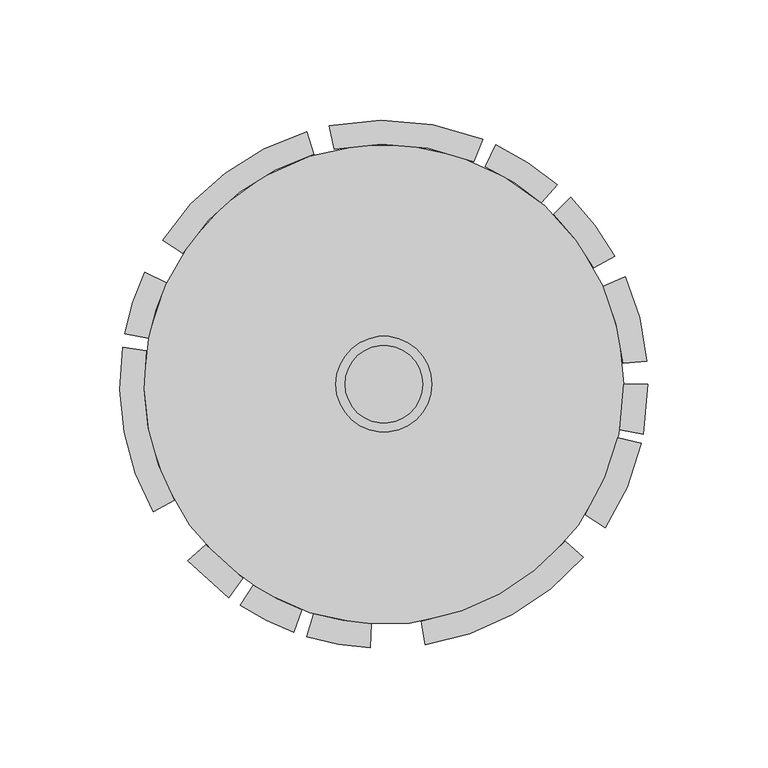
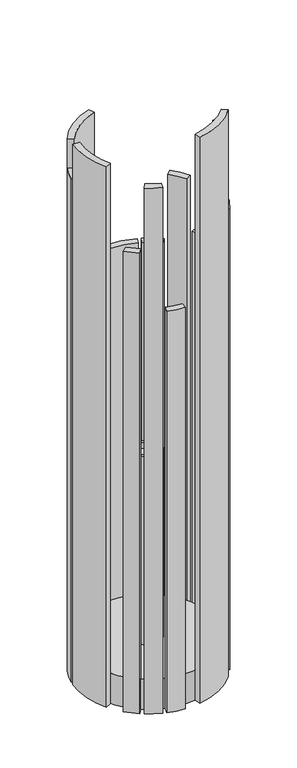
"""IFC4 building model written with IfcOpenShell, lengths in millimetres: proxy geometry."""

from ifc_helpers import new_model, si_unit, point, frame, origin, origin_with_axes, origin_2d, place, context, project, spatial, polyline, circle_curve, trimmed, segment, composite_curve, outline, extrude, source, transform, mapped, element, save
from ifc_brep_helpers import plane_surface, cylinder_surface, revolved_surface, advanced_brep


def generic_models_8748ec68(model_context):
    return source(origin(), model_context, "Body", "SolidModel", [
        advanced_brep(
        [(-20.0, 0.0, 359.9627135), (20.0, 0.0, 359.9627135), (16.1585377, 0.0, 359.9627135), (-16.1585377, 0.0, 359.9627135), (-20.0, 0.0, 50.0), (20.0, 0.0, 50.0), (-16.1585377, 0.0, 350.0), (16.1585377, 0.0, 350.0)],
        [
            (0, 1, circle_curve(frame((0.0, 0.0, 359.9627135), z_axis=(0.0, 0.0, 1.0), x_axis=(1.0, 0.0, 0.0)), 20.0)),
            (1, 0, circle_curve(frame((0.0, 0.0, 359.9627135), z_axis=(0.0, 0.0, 1.0), x_axis=(1.0, 0.0, 0.0)), 20.0)),
            (2, 3, circle_curve(frame((0.0, 0.0, 359.9627135), z_axis=(0.0, 0.0, -1.0), x_axis=(1.0, 0.0, 0.0)), 16.1585377)),
            (3, 2, circle_curve(frame((0.0, 0.0, 359.9627135), z_axis=(0.0, 0.0, -1.0), x_axis=(1.0, 0.0, 0.0)), 16.1585377)),
            (4, 5, circle_curve(frame((0.0, 0.0, 50.0), z_axis=(0.0, 0.0, -1.0), x_axis=(1.0, 0.0, 0.0)), 20.0)),
            (5, 4, circle_curve(frame((0.0, 0.0, 50.0), z_axis=(0.0, 0.0, -1.0), x_axis=(1.0, 0.0, 0.0)), 20.0)),
            (0, 4),
            (5, 1),
            (6, 7, circle_curve(frame((0.0, 0.0, 350.0), z_axis=(0.0, 0.0, 1.0), x_axis=(1.0, 0.0, 0.0)), 16.1585377)),
            (7, 6, circle_curve(frame((0.0, 0.0, 350.0), z_axis=(0.0, 0.0, 1.0), x_axis=(1.0, 0.0, 0.0)), 16.1585377)),
            (6, 3),
            (2, 7),
        ],
        [
            plane_surface(frame((20.0, 0.0, 359.9627135), z_axis=(0.0, 0.0, 1.0), x_axis=(0.0, 1.0, 0.0))),
            plane_surface(frame((20.0, 0.0, 50.0), z_axis=(0.0, 0.0, -1.0), x_axis=(0.0, -1.0, 0.0))),
            cylinder_surface(frame((0.0, 0.0, 50.0), z_axis=(0.0, 0.0, 1.0), x_axis=(1.0, 0.0, 0.0)), 20.0),
            plane_surface(frame((16.1585377, 0.0, 350.0), z_axis=(0.0, 0.0, 1.0), x_axis=(0.0, -1.0, 0.0))),
            revolved_surface(polyline([(16.1585377, 0.0, 359.9627135), (16.1585377, 0.0, 350.0)]), (0.0, 0.0, 350.0), (0.0, 0.0, 1.0)),
        ],
        [
            (0, [[1, 2], [3, 4]]),
            (1, [[5, 6]]),
            (2, [[-1, 7, -6, 8]]),
            (2, [[-2, -8, -5, -7]]),
            (3, [[9, 10]]),
            (4, [[-9, 11, -3, 12]]),
            (4, [[-10, -12, -4, -11]]),
        ],
    ),
        extrude(outline(composite_curve([segment(trimmed(circle_curve(origin_2d(), 100.0), [point((-100.0, 0.0))], [point((100.0, 0.0))], False, "CARTESIAN"), True, "CONTINUOUS"), segment(trimmed(circle_curve(origin_2d(), 100.0), [point((100.0, 0.0))], [point((-100.0, 0.0))], False, "CARTESIAN"), True, "CONTINUOUS")], self_intersect=False)), origin_with_axes(), (0.0, 0.0, 1.0), 50.0),
        extrude(outline(composite_curve([segment(polyline([(-99.6938566, 46.4880088), (-90.6307787, 42.2618262)]), True, "CONTINUOUS"), segment(trimmed(circle_curve(origin_2d(), 100.0), [point((-90.6307787, 42.2618262))], [point((-98.1627183, 19.0808995))], True, "CARTESIAN"), True, "CONTINUOUS"), segment(polyline([(-98.1627183, 19.0808995), (-107.9789902, 20.9889895)]), True, "CONTINUOUS"), segment(trimmed(circle_curve(origin_2d(), 110.0), [point((-107.9789902, 20.9889895))], [point((-99.6938566, 46.4880088))], False, "CARTESIAN"), True, "CONTINUOUS")], self_intersect=False)), origin_with_axes(), (0.0, 0.0, 1.0), 828.4156809),
        extrude(outline(composite_curve([segment(trimmed(circle_curve(origin_2d(), 110.0), [point((-96.2081678, -53.3290582))], [point((-108.9294876, 15.3090411))], False, "CARTESIAN"), True, "CONTINUOUS"), segment(polyline([(-108.9294876, 15.3090411), (-99.0268069, 13.9173101)]), True, "CONTINUOUS"), segment(trimmed(circle_curve(origin_2d(), 100.0), [point((-99.0268069, 13.9173101))], [point((-87.4619707, -48.480962))], True, "CARTESIAN"), True, "CONTINUOUS"), segment(polyline([(-87.4619707, -48.480962), (-96.2081678, -53.3290582)]), True, "CONTINUOUS")], self_intersect=False)), origin_with_axes(), (0.0, 0.0, 1.0), 890.1078641),
        extrude(outline(composite_curve([segment(trimmed(circle_curve(origin_2d(), 100.0), [point((-74.3144825, -66.9130606))], [point((-58.7785252, -80.9016994))], True, "CARTESIAN"), True, "CONTINUOUS"), segment(polyline([(-58.7785252, -80.9016994), (-64.6563778, -88.9918694)]), True, "CONTINUOUS"), segment(trimmed(circle_curve(origin_2d(), 110.0), [point((-64.6563778, -88.9918694))], [point((-81.7459308, -73.6043667))], False, "CARTESIAN"), True, "CONTINUOUS"), segment(polyline([(-81.7459308, -73.6043667), (-74.3144825, -66.9130606)]), True, "CONTINUOUS")], self_intersect=False)), origin_with_axes(), (0.0, 0.0, 1.0), 758.3128629),
        extrude(outline(composite_curve([segment(trimmed(circle_curve(origin_2d(), 100.0), [point((-54.4639035, -83.8670568))], [point((-34.2020143, -93.9692621))], True, "CARTESIAN"), True, "CONTINUOUS"), segment(polyline([(-34.2020143, -93.9692621), (-37.6222158, -103.3661883)]), True, "CONTINUOUS"), segment(trimmed(circle_curve(origin_2d(), 110.0), [point((-37.6222158, -103.3661883))], [point((-59.9102939, -92.2537625))], False, "CARTESIAN"), True, "CONTINUOUS"), segment(polyline([(-59.9102939, -92.2537625), (-54.4639035, -83.8670568)]), True, "CONTINUOUS")], self_intersect=False)), origin_with_axes(), (0.0, 0.0, 1.0), 865.6154372),
        extrude(outline(composite_curve([segment(trimmed(circle_curve(origin_2d(), 100.0), [point((-29.2371705, -95.6304756))], [point((-5.2335956, -99.8629535))], True, "CARTESIAN"), True, "CONTINUOUS"), segment(polyline([(-5.2335956, -99.8629535), (-5.7569552, -109.8492488)]), True, "CONTINUOUS"), segment(trimmed(circle_curve(origin_2d(), 110.0), [point((-5.7569552, -109.8492488))], [point((-32.1608875, -105.1935232))], False, "CARTESIAN"), True, "CONTINUOUS"), segment(polyline([(-32.1608875, -105.1935232), (-29.2371705, -95.6304756)]), True, "CONTINUOUS")], self_intersect=False)), origin_with_axes(), (0.0, 0.0, 1.0), 660.9610186),
        extrude(outline(composite_curve([segment(trimmed(circle_curve(origin_2d(), 100.0), [point((15.6434465, -98.7688341))], [point((75.470958, -65.6059029))], True, "CARTESIAN"), True, "CONTINUOUS"), segment(polyline([(75.470958, -65.6059029), (83.0180538, -72.1664932)]), True, "CONTINUOUS"), segment(trimmed(circle_curve(origin_2d(), 110.0), [point((83.0180538, -72.1664932))], [point((17.2077912, -108.6457175))], False, "CARTESIAN"), True, "CONTINUOUS"), segment(polyline([(17.2077912, -108.6457175), (15.6434465, -98.7688341)]), True, "CONTINUOUS")], self_intersect=False)), origin_with_axes(), (0.0, 0.0, 1.0), 932.2689609),
        extrude(outline(composite_curve([segment(polyline([(92.2537625, -59.9102939), (83.8670568, -54.4639035)]), True, "CONTINUOUS"), segment(trimmed(circle_curve(origin_2d(), 100.0), [point((83.8670568, -54.4639035))], [point((97.4722895, -22.3417271))], True, "CARTESIAN"), True, "CONTINUOUS"), segment(polyline([(97.4722895, -22.3417271), (107.2195185, -24.5758999)]), True, "CONTINUOUS"), segment(trimmed(circle_curve(origin_2d(), 110.0), [point((107.2195185, -24.5758999))], [point((92.2537625, -59.9102939))], False, "CARTESIAN"), True, "CONTINUOUS")], self_intersect=False)), origin_with_axes(), (0.0, 0.0, 1.0), 758.3128629),
        extrude(outline(composite_curve([segment(polyline([(107.9789902, -20.9889895), (98.1627183, -19.0808995)]), True, "CONTINUOUS"), segment(trimmed(circle_curve(origin_2d(), 100.0), [point((98.1627183, -19.0808995))], [point((100.0, 0.0))], True, "CARTESIAN"), True, "CONTINUOUS"), segment(polyline([(100.0, 0.0), (110.0, 0.0)]), True, "CONTINUOUS"), segment(trimmed(circle_curve(origin_2d(), 110.0), [point((110.0, 0.0))], [point((107.9789902, -20.9889895))], False, "CARTESIAN"), True, "CONTINUOUS")], self_intersect=False)), origin_with_axes(), (0.0, 0.0, 1.0), 865.6154372),
        extrude(outline(composite_curve([segment(polyline([(109.5814168, 9.5871317), (99.6194698, 8.7155743)]), True, "CONTINUOUS"), segment(trimmed(circle_curve(origin_2d(), 100.0), [point((99.6194698, 8.7155743))], [point((91.3545458, 40.6736643))], True, "CARTESIAN"), True, "CONTINUOUS"), segment(polyline([(91.3545458, 40.6736643), (100.4900003, 44.7410307)]), True, "CONTINUOUS"), segment(trimmed(circle_curve(origin_2d(), 110.0), [point((100.4900003, 44.7410307))], [point((109.5814168, 9.5871317))], False, "CARTESIAN"), True, "CONTINUOUS")], self_intersect=False)), origin_with_axes(), (0.0, 0.0, 1.0), 660.9610186),
        extrude(outline(composite_curve([segment(polyline([(96.2081678, 53.3290582), (87.4619707, 48.480962)]), True, "CONTINUOUS"), segment(trimmed(circle_curve(origin_2d(), 100.0), [point((87.4619707, 48.480962))], [point((70.7106781, 70.7106781))], True, "CARTESIAN"), True, "CONTINUOUS"), segment(polyline([(70.7106781, 70.7106781), (77.7817459, 77.7817459)]), True, "CONTINUOUS"), segment(trimmed(circle_curve(origin_2d(), 110.0), [point((77.7817459, 77.7817459))], [point((96.2081678, 53.3290582))], False, "CARTESIAN"), True, "CONTINUOUS")], self_intersect=False)), origin_with_axes(), (0.0, 0.0, 1.0), 743.7878975),
        extrude(outline(composite_curve([segment(polyline([(41.2067253, 101.990224), (37.4606593, 92.7183855)]), True, "CONTINUOUS"), segment(trimmed(circle_curve(origin_2d(), 100.0), [point((37.4606593, 92.7183855))], [point((-20.7911691, 97.8147601))], True, "CARTESIAN"), True, "CONTINUOUS"), segment(polyline([(-20.7911691, 97.8147601), (-22.870286, 107.5962361)]), True, "CONTINUOUS"), segment(trimmed(circle_curve(origin_2d(), 110.0), [point((-22.870286, 107.5962361))], [point((41.2067253, 101.990224))], False, "CARTESIAN"), True, "CONTINUOUS")], self_intersect=False)), origin_with_axes(), (0.0, 0.0, 1.0), 629.4163587),
        extrude(outline(composite_curve([segment(polyline([(72.1664932, 83.0180538), (65.6059029, 75.470958)]), True, "CONTINUOUS"), segment(trimmed(circle_curve(origin_2d(), 100.0), [point((65.6059029, 75.470958))], [point((42.2618262, 90.6307787))], True, "CARTESIAN"), True, "CONTINUOUS"), segment(polyline([(42.2618262, 90.6307787), (46.4880088, 99.6938566)]), True, "CONTINUOUS"), segment(trimmed(circle_curve(origin_2d(), 110.0), [point((46.4880088, 99.6938566))], [point((72.1664932, 83.0180538))], False, "CARTESIAN"), True, "CONTINUOUS")], self_intersect=False)), origin_with_axes(), (0.0, 0.0, 1.0), 629.4163587),
        extrude(outline(composite_curve([segment(polyline([(-32.1608875, 105.1935232), (-29.2371705, 95.6304756)]), True, "CONTINUOUS"), segment(trimmed(circle_curve(origin_2d(), 100.0), [point((-29.2371705, 95.6304756))], [point((-83.8670568, 54.4639035))], True, "CARTESIAN"), True, "CONTINUOUS"), segment(polyline([(-83.8670568, 54.4639035), (-92.2537625, 59.9102939)]), True, "CONTINUOUS"), segment(trimmed(circle_curve(origin_2d(), 110.0), [point((-92.2537625, 59.9102939))], [point((-32.1608875, 105.1935232))], False, "CARTESIAN"), True, "CONTINUOUS")], self_intersect=False)), origin_with_axes(), (0.0, 0.0, 1.0), 865.6154372),
    ])


if __name__ == "__main__":
    model = new_model("IFC4")
    model_context = context("Model", 3, world=origin())
    ifc_project = project(units=[si_unit("LENGTHUNIT", "METRE", prefix="MILLI")], contexts=[model_context])
    site = spatial("IfcSite", under=ifc_project)
    building = spatial("IfcBuilding", under=site)
    placement = place(None, origin())
    generic_models_shape = generic_models_8748ec68(model_context)
    element("IfcBuildingElementProxy", 1, Name="Generic Models", at=placement, inside=building, context=model_context, shape_type="MappedRepresentation", body=[
        mapped(generic_models_shape, transform((0.0, 0.0, 0.0), x_axis=(1.0, 0.0, 0.0), y_axis=(0.0, 1.0, 0.0), z_axis=(0.0, 0.0, 1.0))),
    ])
    save(model, "model.ifc")
